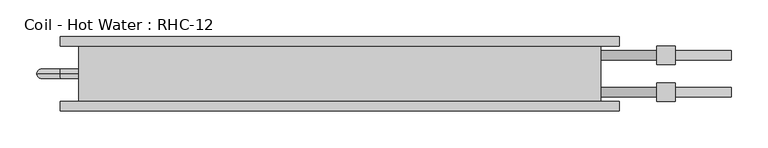
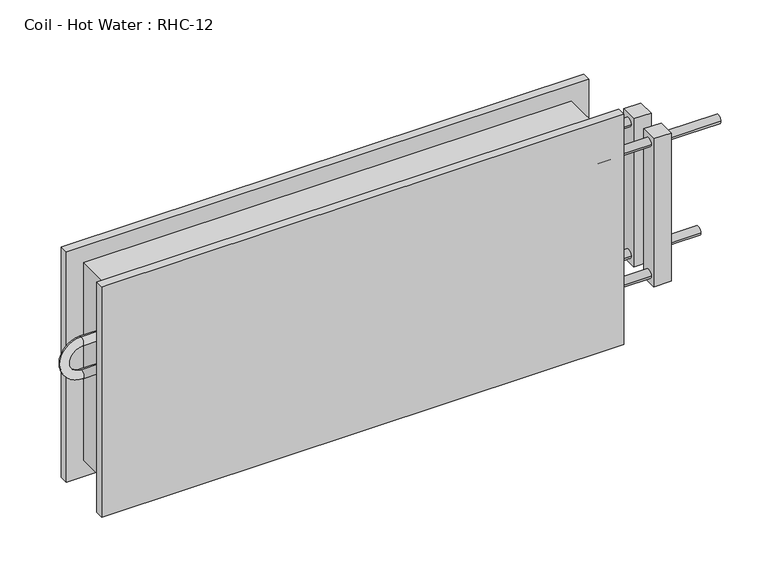
"""IFC4 building model written with IfcOpenShell, lengths in millimetres: proxy geometry, Coil - Hot Water : RHC-12."""

from ifc_helpers import new_model, si_unit, point, frame, origin, place, context, project, spatial, circle_curve, ellipse_curve, trimmed, source, transform, mapped, element, save
from ifc_brep_helpers import plane_surface, cylinder_surface, revolved_surface, advanced_brep


def coil_hot_water_rhc_12_2671060a(model_context):
    return source(origin(), model_context, "Body", "AdvancedBrep", [
        advanced_brep(
        [(-355.6, 76.2, 304.8), (-355.6, 0.0, 304.8), (355.6, 0.0, 304.8), (355.6, 76.2, 304.8), (355.6, 76.2, 0.0), (355.6, 0.0, 0.0), (-355.6, 0.0, 0.0), (-355.6, 76.2, 0.0), (-355.6, 38.1, 222.25), (-355.6, 38.1, 209.55), (-355.6, 38.1, 171.45), (-355.6, 38.1, 158.75), (355.6, 57.15, 254.0), (355.6, 69.85, 254.0), (355.6, 6.35, 50.8), (355.6, 19.05, 50.8), (355.6, 6.35, 254.0), (355.6, 19.05, 254.0), (355.6, 57.15, 50.8), (355.6, 69.85, 50.8), (381.0, 76.2, 330.2), (-381.0, 76.2, 330.2), (-381.0, 76.2, -25.4), (381.0, 76.2, -25.4), (381.0, 88.9, 330.2), (381.0, 88.9, -25.4), (-381.0, 88.9, -25.4), (-381.0, 88.9, 330.2), (533.4, 57.15, 50.8), (533.4, 69.85, 50.8), (533.4, 6.35, 254.0), (533.4, 19.05, 254.0), (457.2, 57.15, 50.8), (457.2, 69.85, 50.8), (457.2, 6.35, 254.0), (457.2, 19.05, 254.0), (381.0, -12.7, 330.2), (-381.0, -12.7, 330.2), (-381.0, -12.7, -25.4), (381.0, -12.7, -25.4), (381.0, 0.0, 330.2), (381.0, 0.0, -25.4), (-381.0, 0.0, -25.4), (-381.0, 0.0, 330.2), (-381.0, 38.1, 222.25), (-381.0, 38.1, 209.55), (-381.0, 38.1, 158.75), (-381.0, 38.1, 171.45), (431.8, 57.15, 254.0), (431.8, 69.85, 254.0), (431.8, 6.35, 50.8), (431.8, 19.05, 50.8), (431.8, 6.35, 254.0), (431.8, 19.05, 254.0), (431.8, 57.15, 50.8), (431.8, 69.85, 50.8), (457.2, 50.8, 266.7), (457.2, 50.8, 38.1), (457.2, 76.2, 38.1), (457.2, 76.2, 266.7), (457.2, 0.0, 266.7), (457.2, 0.0, 38.1), (457.2, 25.4, 38.1), (457.2, 25.4, 266.7), (431.8, 50.8, 266.7), (431.8, 76.2, 266.7), (431.8, 76.2, 38.1), (431.8, 50.8, 38.1), (431.8, 0.0, 266.7), (431.8, 25.4, 266.7), (431.8, 25.4, 38.1), (431.8, 0.0, 38.1)],
        [
            (0, 1),
            (1, 2),
            (2, 3),
            (3, 0),
            (4, 5),
            (5, 6),
            (6, 7),
            (7, 4),
            (0, 7),
            (6, 1),
            (8, 9, circle_curve(frame((-355.6, 38.1, 215.9), z_axis=(1.0, 0.0, 0.0), x_axis=(0.0, 0.0, -1.0)), 6.35)),
            (9, 8, circle_curve(frame((-355.6, 38.1, 215.9), z_axis=(1.0, 0.0, 0.0), x_axis=(0.0, 0.0, -1.0)), 6.35)),
            (10, 11, circle_curve(frame((-355.6, 38.1, 165.1), z_axis=(1.0, 0.0, 0.0), x_axis=(0.0, 0.0, 1.0)), 6.35)),
            (11, 10, circle_curve(frame((-355.6, 38.1, 165.1), z_axis=(1.0, 0.0, 0.0), x_axis=(0.0, 0.0, 1.0)), 6.35)),
            (2, 5),
            (4, 3),
            (12, 13, circle_curve(frame((355.6, 63.5, 254.0), z_axis=(-1.0, 0.0, 0.0), x_axis=(0.0, 1.0, 0.0)), 6.35)),
            (13, 12, circle_curve(frame((355.6, 63.5, 254.0), z_axis=(-1.0, 0.0, 0.0), x_axis=(0.0, 1.0, 0.0)), 6.35)),
            (14, 15, circle_curve(frame((355.6, 12.7, 50.8), z_axis=(-1.0, 0.0, 0.0), x_axis=(0.0, 1.0, 0.0)), 6.35)),
            (15, 14, circle_curve(frame((355.6, 12.7, 50.8), z_axis=(-1.0, 0.0, 0.0), x_axis=(0.0, 1.0, 0.0)), 6.35)),
            (16, 17, circle_curve(frame((355.6, 12.7, 254.0), z_axis=(-1.0, 0.0, 0.0), x_axis=(0.0, 1.0, 0.0)), 6.35)),
            (17, 16, circle_curve(frame((355.6, 12.7, 254.0), z_axis=(-1.0, 0.0, 0.0), x_axis=(0.0, 1.0, 0.0)), 6.35)),
            (18, 19, circle_curve(frame((355.6, 63.5, 50.8), z_axis=(-1.0, 0.0, 0.0), x_axis=(0.0, 1.0, 0.0)), 6.35)),
            (19, 18, circle_curve(frame((355.6, 63.5, 50.8), z_axis=(-1.0, 0.0, 0.0), x_axis=(0.0, 1.0, 0.0)), 6.35)),
            (20, 21),
            (21, 22),
            (22, 23),
            (23, 20),
            (24, 25),
            (25, 26),
            (26, 27),
            (27, 24),
            (20, 24),
            (27, 21),
            (26, 22),
            (25, 23),
            (28, 29, circle_curve(frame((533.4, 63.5, 50.8), z_axis=(1.0, 0.0, 0.0), x_axis=(0.0, 1.0, 0.0)), 6.35)),
            (29, 28, circle_curve(frame((533.4, 63.5, 50.8), z_axis=(1.0, 0.0, 0.0), x_axis=(0.0, 1.0, 0.0)), 6.35)),
            (30, 31, circle_curve(frame((533.4, 12.7, 254.0), z_axis=(1.0, 0.0, 0.0), x_axis=(0.0, 1.0, 0.0)), 6.35)),
            (31, 30, circle_curve(frame((533.4, 12.7, 254.0), z_axis=(1.0, 0.0, 0.0), x_axis=(0.0, 1.0, 0.0)), 6.35)),
            (28, 32),
            (32, 33, circle_curve(frame((457.2, 63.5, 50.8), z_axis=(1.0, 0.0, 0.0), x_axis=(0.0, 1.0, 0.0)), 6.35)),
            (33, 29),
            (33, 32, circle_curve(frame((457.2, 63.5, 50.8), z_axis=(1.0, 0.0, 0.0), x_axis=(0.0, 1.0, 0.0)), 6.35)),
            (30, 34),
            (34, 35, circle_curve(frame((457.2, 12.7, 254.0), z_axis=(1.0, 0.0, 0.0), x_axis=(0.0, 1.0, 0.0)), 6.35)),
            (35, 31),
            (35, 34, circle_curve(frame((457.2, 12.7, 254.0), z_axis=(1.0, 0.0, 0.0), x_axis=(0.0, 1.0, 0.0)), 6.35)),
            (36, 37),
            (37, 38),
            (38, 39),
            (39, 36),
            (40, 41),
            (41, 42),
            (42, 43),
            (43, 40),
            (36, 40),
            (43, 37),
            (42, 38),
            (41, 39),
            (8, 44),
            (44, 45, circle_curve(frame((-381.0, 38.1, 215.9), z_axis=(1.0, 0.0, 0.0), x_axis=(0.0, 0.0, -1.0)), 6.35)),
            (45, 9),
            (45, 44, circle_curve(frame((-381.0, 38.1, 215.9), z_axis=(1.0, 0.0, 0.0), x_axis=(0.0, 0.0, -1.0)), 6.35)),
            (44, 46, circle_curve(frame((-381.0, 38.1, 190.5), z_axis=(0.0, -1.0, 0.0), x_axis=(0.0, 0.0, 1.0)), 31.75)),
            (46, 47, circle_curve(frame((-381.0, 38.1, 165.1), z_axis=(-1.0, 0.0, 0.0), x_axis=(0.0, 0.0, 1.0)), 6.35)),
            (47, 45, circle_curve(frame((-381.0, 38.1, 190.5), z_axis=(0.0, 1.0, 0.0), x_axis=(0.0, 0.0, 1.0)), 19.05)),
            (47, 46, circle_curve(frame((-381.0, 38.1, 165.1), z_axis=(-1.0, 0.0, 0.0), x_axis=(0.0, 0.0, 1.0)), 6.35)),
            (46, 11),
            (10, 47),
            (12, 48),
            (48, 49, circle_curve(frame((431.8, 63.5, 254.0), z_axis=(-1.0, 0.0, 0.0), x_axis=(0.0, 1.0, 0.0)), 6.35)),
            (49, 13),
            (49, 48, circle_curve(frame((431.8, 63.5, 254.0), z_axis=(-1.0, 0.0, 0.0), x_axis=(0.0, 1.0, 0.0)), 6.35)),
            (14, 50),
            (50, 51, circle_curve(frame((431.8, 12.7, 50.8), z_axis=(-1.0, 0.0, 0.0), x_axis=(0.0, 1.0, 0.0)), 6.35)),
            (51, 15),
            (51, 50, circle_curve(frame((431.8, 12.7, 50.8), z_axis=(-1.0, 0.0, 0.0), x_axis=(0.0, 1.0, 0.0)), 6.35)),
            (16, 52),
            (52, 53, circle_curve(frame((431.8, 12.7, 254.0), z_axis=(-1.0, 0.0, 0.0), x_axis=(0.0, 1.0, 0.0)), 6.35)),
            (53, 17),
            (53, 52, circle_curve(frame((431.8, 12.7, 254.0), z_axis=(-1.0, 0.0, 0.0), x_axis=(0.0, 1.0, 0.0)), 6.35)),
            (18, 54),
            (54, 55, circle_curve(frame((431.8, 63.5, 50.8), z_axis=(-1.0, 0.0, 0.0), x_axis=(0.0, 1.0, 0.0)), 6.35)),
            (55, 19),
            (55, 54, circle_curve(frame((431.8, 63.5, 50.8), z_axis=(-1.0, 0.0, 0.0), x_axis=(0.0, 1.0, 0.0)), 6.35)),
            (56, 57),
            (57, 58),
            (58, 59),
            (59, 56),
            (60, 61),
            (61, 62),
            (62, 63),
            (63, 60),
            (64, 65),
            (65, 66),
            (66, 67),
            (67, 64),
            (68, 69),
            (69, 70),
            (70, 71),
            (71, 68),
            (56, 64),
            (67, 57),
            (66, 58),
            (65, 59),
            (60, 68),
            (71, 61),
            (70, 62),
            (69, 63),
        ],
        [
            plane_surface(frame((-355.6, 76.2, 304.8), z_axis=(0.0, 0.0, 1.0), x_axis=(-1.0, 0.0, 0.0))),
            plane_surface(frame((-355.6, 76.2, 0.0), z_axis=(0.0, 0.0, -1.0), x_axis=(1.0, 0.0, 0.0))),
            plane_surface(frame((-355.6, 76.2, 304.8), z_axis=(-1.0, 0.0, 0.0), x_axis=(0.0, 0.0, -1.0))),
            plane_surface(frame((355.6, 0.0, 304.8), z_axis=(1.0, 0.0, 0.0), x_axis=(0.0, 0.0, -1.0))),
            plane_surface(frame((-381.0, 76.2, 330.2), z_axis=(0.0, -1.0, 0.0), x_axis=(-1.0, 0.0, 0.0))),
            plane_surface(frame((-381.0, 88.9, 330.2), z_axis=(0.0, 1.0, 0.0), x_axis=(1.0, 0.0, 0.0))),
            plane_surface(frame((381.0, 76.2, 330.2), z_axis=(0.0, 0.0, 1.0), x_axis=(0.0, 1.0, 0.0))),
            plane_surface(frame((-381.0, 76.2, 330.2), z_axis=(-1.0, 0.0, 0.0), x_axis=(0.0, 1.0, 0.0))),
            plane_surface(frame((-381.0, 76.2, -25.4), z_axis=(0.0, 0.0, -1.0), x_axis=(0.0, 1.0, 0.0))),
            plane_surface(frame((381.0, 76.2, -25.4), z_axis=(1.0, 0.0, 0.0), x_axis=(0.0, 1.0, 0.0))),
            plane_surface(frame((533.4, 69.85, 50.8), z_axis=(1.0, 0.0, 0.0), x_axis=(0.0, 0.0, 1.0))),
            cylinder_surface(frame((457.2, 63.5, 50.8), z_axis=(1.0, 0.0, 0.0), x_axis=(0.0, 1.0, 0.0)), 6.35),
            cylinder_surface(frame((0.0, 12.7, 254.0), z_axis=(1.0, 0.0, 0.0), x_axis=(0.0, 1.0, 0.0)), 6.35),
            plane_surface(frame((-381.0, -12.7, 330.2), z_axis=(0.0, -1.0, 0.0), x_axis=(-1.0, 0.0, 0.0))),
            plane_surface(frame((-381.0, 0.0, 330.2), z_axis=(0.0, 1.0, 0.0), x_axis=(1.0, 0.0, 0.0))),
            plane_surface(frame((381.0, -12.7, 330.2), z_axis=(0.0, 0.0, 1.0), x_axis=(0.0, 1.0, 0.0))),
            plane_surface(frame((-381.0, -12.7, 330.2), z_axis=(-1.0, 0.0, 0.0), x_axis=(0.0, 1.0, 0.0))),
            plane_surface(frame((-381.0, -12.7, -25.4), z_axis=(0.0, 0.0, -1.0), x_axis=(0.0, 1.0, 0.0))),
            plane_surface(frame((381.0, -12.7, -25.4), z_axis=(1.0, 0.0, 0.0), x_axis=(0.0, 1.0, 0.0))),
            cylinder_surface(frame((-355.6, 38.1, 215.9), z_axis=(1.0, 0.0, 0.0), x_axis=(0.0, 0.0, -1.0)), 6.35),
            revolved_surface(trimmed(ellipse_curve(frame((-381.0, 38.1, 215.9), z_axis=(1.0, 0.0, 0.0), x_axis=(0.0, 0.0, -1.0)), 6.35, 6.35), [point((-381.0, 38.1, 222.25))], [point((-381.0, 38.1, 209.55))], True, "CARTESIAN"), (-381.0, 0.0, 190.5), (0.0, -1.0, 0.0)),
            revolved_surface(trimmed(ellipse_curve(frame((-381.0, 38.1, 215.9), z_axis=(1.0, 0.0, 0.0), x_axis=(0.0, 0.0, -1.0)), 6.35, 6.35), [point((-381.0, 38.1, 209.55))], [point((-381.0, 38.1, 222.25))], True, "CARTESIAN"), (-381.0, 0.0, 190.5), (0.0, -1.0, 0.0)),
            cylinder_surface(frame((-381.0, 38.1, 165.1), z_axis=(-1.0, 0.0, 0.0), x_axis=(0.0, 0.0, 1.0)), 6.35),
            cylinder_surface(frame((355.6, 63.5, 254.0), z_axis=(-1.0, 0.0, 0.0), x_axis=(0.0, 1.0, 0.0)), 6.35),
            cylinder_surface(frame((355.6, 12.7, 50.8), z_axis=(-1.0, 0.0, 0.0), x_axis=(0.0, 1.0, 0.0)), 6.35),
            cylinder_surface(frame((355.6, 12.7, 254.0), z_axis=(-1.0, 0.0, 0.0), x_axis=(0.0, 1.0, 0.0)), 6.35),
            cylinder_surface(frame((355.6, 63.5, 50.8), z_axis=(-1.0, 0.0, 0.0), x_axis=(0.0, 1.0, 0.0)), 6.35),
            plane_surface(frame((457.2, 50.8, 264.0802069), z_axis=(1.0, 0.0, 0.0), x_axis=(0.0, 0.0, -1.0))),
            plane_surface(frame((431.8, 50.8, 264.0802069), z_axis=(-1.0, 0.0, 0.0), x_axis=(0.0, 0.0, 1.0))),
            plane_surface(frame((457.2, 50.8, 266.7), z_axis=(0.0, -1.0, 0.0), x_axis=(-1.0, 0.0, 0.0))),
            plane_surface(frame((457.2, 50.8, 38.1), z_axis=(0.0, 0.0, -1.0), x_axis=(-1.0, 0.0, 0.0))),
            plane_surface(frame((457.2, 76.2, 38.1), z_axis=(0.0, 1.0, 0.0), x_axis=(-1.0, 0.0, 0.0))),
            plane_surface(frame((457.2, 76.2, 266.7), z_axis=(0.0, 0.0, 1.0), x_axis=(-1.0, 0.0, 0.0))),
            plane_surface(frame((457.2, 0.0, 266.7), z_axis=(0.0, -1.0, 0.0), x_axis=(-1.0, 0.0, 0.0))),
            plane_surface(frame((457.2, 0.0, 38.1), z_axis=(0.0, 0.0, -1.0), x_axis=(-1.0, 0.0, 0.0))),
            plane_surface(frame((457.2, 25.4, 38.1), z_axis=(0.0, 1.0, 0.0), x_axis=(-1.0, 0.0, 0.0))),
            plane_surface(frame((457.2, 25.4, 266.7), z_axis=(0.0, 0.0, 1.0), x_axis=(-1.0, 0.0, 0.0))),
        ],
        [
            (0, [[1, 2, 3, 4]]),
            (1, [[5, 6, 7, 8]]),
            (2, [[-1, 9, -7, 10], [11, 12], [13, 14]]),
            (3, [[-3, 15, -5, 16], [17, 18], [19, 20], [21, 22], [23, 24]]),
            (4, [[25, 26, 27, 28], [-4, -16, -8, -9]]),
            (5, [[29, 30, 31, 32]]),
            (6, [[-25, 33, -32, 34]]),
            (7, [[-26, -34, -31, 35]]),
            (8, [[-27, -35, -30, 36]]),
            (9, [[-28, -36, -29, -33]]),
            (10, [[37, 38]]),
            (10, [[39, 40]]),
            (11, [[-37, 41, 42, 43]]),
            (11, [[-38, -43, 44, -41]]),
            (12, [[-39, 45, 46, 47]]),
            (12, [[-40, -47, 48, -45]]),
            (13, [[49, 50, 51, 52]]),
            (14, [[53, 54, 55, 56], [-2, -10, -6, -15]]),
            (15, [[-49, 57, -56, 58]]),
            (16, [[-50, -58, -55, 59]]),
            (17, [[-51, -59, -54, 60]]),
            (18, [[-52, -60, -53, -57]]),
            (19, [[61, 62, 63, -11]]),
            (19, [[-61, -12, -63, 64]]),
            (20, [[-62, 65, 66, 67]]),
            (21, [[-64, -67, 68, -65]]),
            (22, [[-66, 69, -13, 70]]),
            (22, [[-68, -70, -14, -69]]),
            (23, [[71, 72, 73, -17]]),
            (23, [[-71, -18, -73, 74]]),
            (24, [[75, 76, 77, -19]]),
            (24, [[-75, -20, -77, 78]]),
            (25, [[79, 80, 81, -21]]),
            (25, [[-79, -22, -81, 82]]),
            (26, [[83, 84, 85, -23]]),
            (26, [[-83, -24, -85, 86]]),
            (27, [[87, 88, 89, 90], [-42, -44]]),
            (27, [[91, 92, 93, 94], [-46, -48]]),
            (28, [[95, 96, 97, 98], [-72, -74], [-84, -86]]),
            (28, [[99, 100, 101, 102], [-76, -78], [-80, -82]]),
            (29, [[-87, 103, -98, 104]]),
            (30, [[-88, -104, -97, 105]]),
            (31, [[-89, -105, -96, 106]]),
            (32, [[-90, -106, -95, -103]]),
            (33, [[-91, 107, -102, 108]]),
            (34, [[-92, -108, -101, 109]]),
            (35, [[-93, -109, -100, 110]]),
            (36, [[-94, -110, -99, -107]]),
        ],
    ),
    ])


if __name__ == "__main__":
    model = new_model("IFC4")
    model_context = context("Model", 3, world=origin())
    ifc_project = project(units=[si_unit("LENGTHUNIT", "METRE", prefix="MILLI")], contexts=[model_context])
    site = spatial("IfcSite", under=ifc_project)
    building = spatial("IfcBuilding", under=site)
    placement = place(None, origin())
    coil_hot_water_rhc_12_shape = coil_hot_water_rhc_12_2671060a(model_context)
    element("IfcBuildingElementProxy", 1, Name="Coil - Hot Water : RHC-12", ObjectType="Coil - Hot Water : RHC-12", at=placement, inside=building, context=model_context, shape_type="MappedRepresentation", body=[
        mapped(coil_hot_water_rhc_12_shape, transform((0.0, 0.0, 0.0), x_axis=(1.0, 0.0, 0.0), y_axis=(0.0, 1.0, 0.0), z_axis=(0.0, 0.0, 1.0))),
    ])
    save(model, "model.ifc")
